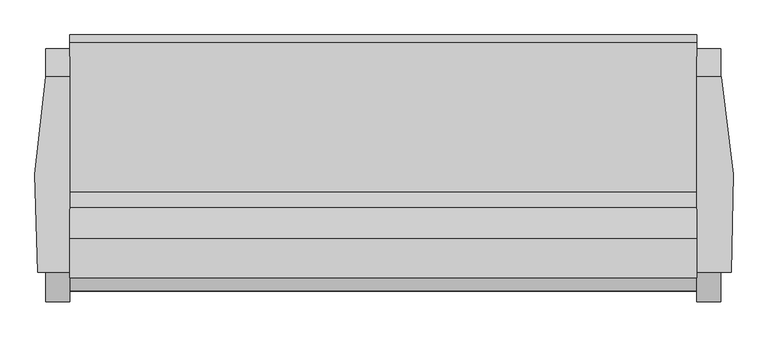
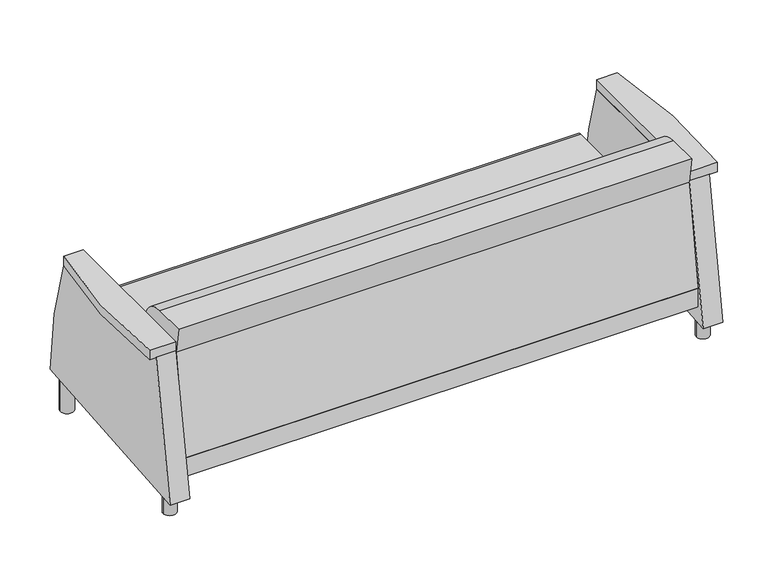
"""IFC4 building model written with IfcOpenShell, lengths in millimetres: furniture geometry."""

import ifcopenshell
import ifcopenshell.guid

model = None  # the IFC model being written
_history = None  # IfcOwnerHistory: only IFC2X3 demands one
_inside = {}  # id of a spatial element -> (the spatial element, [elements in it])
_under = {}  # id of a project, library or spatial element -> (it, [spatial elements below it])
_declared = {}  # id of a project -> (the project, [libraries it declares])
_typed = {}  # id of a type object -> (the type object, [elements of that type])
_made_of = {}  # id of a material, layer set ... -> (it, [elements and type objects made of it])


def new_model(schema):
    """Start an empty IFC model of exactly this schema.

    Asked for "IFC4X3", IfcOpenShell would pick the latest addendum, in which some entities
    have other attributes; the version numbers below select the first issue.
    IFC2X3 requires an IfcOwnerHistory on every rooted entity: one is made here for all.
    """
    global model, _history
    if schema == "IFC4X3":
        model = ifcopenshell.file(schema_version=(4, 3, 0, 0))
    else:
        model = ifcopenshell.file(schema=schema)
    _inside.clear()
    _under.clear()
    _declared.clear()
    _typed.clear()
    _made_of.clear()
    _history = None
    if model.schema == "IFC2X3":
        org = make("IfcOrganization", Name="unknown")
        user = make(
            "IfcPersonAndOrganization",
            ThePerson=make("IfcPerson", FamilyName="unknown"),
            TheOrganization=org,
        )
        app = make(
            "IfcApplication",
            ApplicationDeveloper=org,
            Version="unknown",
            ApplicationFullName="unknown",
            ApplicationIdentifier="unknown",
        )
        _history = make(
            "IfcOwnerHistory",
            OwningUser=user,
            OwningApplication=app,
            ChangeAction="ADDED",
            CreationDate=0,
        )
    return model


def make(cls, **values):
    """One entity of the class cls with the attributes given. An attribute that is None is left unset."""
    return model.create_entity(
        cls, **{name: value for name, value in values.items() if value is not None}
    )


def rooted(cls, **values):
    """An entity with a GlobalId (a new one), such as an element, a storey or a relation."""
    return make(cls, GlobalId=ifcopenshell.guid.new(), OwnerHistory=_history, **values)


def si_unit(unit_type, name, prefix=None):
    """IfcSIUnit, for example si_unit("LENGTHUNIT", "METRE", prefix="MILLI")."""
    return make("IfcSIUnit", UnitType=unit_type, Prefix=prefix, Name=name)


def assignment(units):
    """IfcUnitAssignment: the units of a project."""
    return None if units is None else make("IfcUnitAssignment", Units=units)


def point(xyz):
    """IfcCartesianPoint."""
    return None if xyz is None else make("IfcCartesianPoint", Coordinates=xyz)


def direction(xyz):
    """IfcDirection."""
    return None if xyz is None else make("IfcDirection", DirectionRatios=xyz)


def frame(location, z_axis=None, x_axis=None):
    """IfcAxis2Placement3D, a coordinate frame: its origin and axes. An axis left out is left unset."""
    return make(
        "IfcAxis2Placement3D",
        Location=point(location),
        Axis=direction(z_axis),
        RefDirection=direction(x_axis),
    )


def frame_2d(location, x_axis=None):
    """IfcAxis2Placement2D, a coordinate frame in the plane: its origin and x axis."""
    return make(
        "IfcAxis2Placement2D", Location=point(location), RefDirection=direction(x_axis)
    )


def origin():
    """The frame at (0, 0, 0) with its axes left unset."""
    return frame((0.0, 0.0, 0.0))


def origin_with_axes():
    """The frame at (0, 0, 0) with the z axis (0, 0, 1) and the x axis (1, 0, 0) written out."""
    return frame((0.0, 0.0, 0.0), z_axis=(0.0, 0.0, 1.0), x_axis=(1.0, 0.0, 0.0))


def place(relative_to, where):
    """IfcLocalPlacement: puts the frame where relative to a parent placement (None: the world)."""
    return make(
        "IfcLocalPlacement", PlacementRelTo=relative_to, RelativePlacement=where
    )


def context(
    kind, dimensions, precision=None, world=None, true_north=None, identifier=None
):
    """IfcGeometricRepresentationContext, for example the 3D "Model" context."""
    return make(
        "IfcGeometricRepresentationContext",
        ContextIdentifier=identifier,
        ContextType=kind,
        CoordinateSpaceDimension=dimensions,
        Precision=precision,
        WorldCoordinateSystem=world,
        TrueNorth=true_north,
    )


def project(units=None, contexts=None):
    """IfcProject with its units and contexts."""
    return rooted(
        "IfcProject",
        Name="project",
        RepresentationContexts=contexts,
        UnitsInContext=assignment(units),
    )


def spatial(cls, under=None, at=None, **own):
    """A site, building, storey or space (cls), placed at a placement, below another one or the project."""
    s = rooted(cls, ObjectPlacement=at, **own)
    if under is not None:
        _under.setdefault(under.id(), (under, []))[1].append(s)
    return s


def polyline(points):
    """IfcPolyline through the points."""
    return make("IfcPolyline", Points=[point(p) for p in points])


def circle_curve(where, radius):
    """IfcCircle in the frame where."""
    return make("IfcCircle", Position=where, Radius=radius)


def trimmed(basis, trim1, trim2, sense, master):
    """IfcTrimmedCurve: the piece of a basis curve between two trims."""
    return make(
        "IfcTrimmedCurve",
        BasisCurve=basis,
        Trim1=trim1,
        Trim2=trim2,
        SenseAgreement=sense,
        MasterRepresentation=master,
    )


def segment(curve, same_sense, transition):
    """IfcCompositeCurveSegment."""
    return make(
        "IfcCompositeCurveSegment",
        Transition=transition,
        SameSense=same_sense,
        ParentCurve=curve,
    )


def composite_curve(segments, self_intersect=None):
    """IfcCompositeCurve: segments joined end to end."""
    return make("IfcCompositeCurve", Segments=segments, SelfIntersect=self_intersect)


def outline(outer, holes=None, kind="AREA"):
    """IfcArbitraryClosedProfileDef: a profile drawn as a closed curve; with holes, ...WithVoids."""
    if holes is None:
        return make("IfcArbitraryClosedProfileDef", ProfileType=kind, OuterCurve=outer)
    return make(
        "IfcArbitraryProfileDefWithVoids",
        ProfileType=kind,
        OuterCurve=outer,
        InnerCurves=holes,
    )


def extrude(swept, where, along, depth):
    """IfcExtrudedAreaSolid: the profile swept, set in the frame where, extruded along a direction by depth."""
    return make(
        "IfcExtrudedAreaSolid",
        SweptArea=swept,
        Position=where,
        ExtrudedDirection=direction(along),
        Depth=depth,
    )


def shape(context_of_items, identifier, shape_type, items):
    """IfcShapeRepresentation: the items that make up one representation, for example the "Body"."""
    return make(
        "IfcShapeRepresentation",
        ContextOfItems=context_of_items,
        RepresentationIdentifier=identifier,
        RepresentationType=shape_type,
        Items=items,
    )


def source(mapping_origin, context_of_items, identifier, shape_type, items):
    """IfcRepresentationMap: a shape defined once, which mapped items show again and again."""
    return make(
        "IfcRepresentationMap",
        MappingOrigin=mapping_origin,
        MappedRepresentation=shape(context_of_items, identifier, shape_type, items),
    )


def transform(
    local_origin,
    x_axis=None,
    y_axis=None,
    z_axis=None,
    scale=None,
    scale2=None,
    scale3=None,
    uniform=True,
):
    """IfcCartesianTransformationOperator3D, or its non-uniform kind. x_axis, y_axis, z_axis: its Axis1, 2, 3."""
    if uniform:
        return make(
            "IfcCartesianTransformationOperator3D",
            Axis1=direction(x_axis),
            Axis2=direction(y_axis),
            LocalOrigin=point(local_origin),
            Scale=scale,
            Axis3=direction(z_axis),
        )
    return make(
        "IfcCartesianTransformationOperator3DnonUniform",
        Axis1=direction(x_axis),
        Axis2=direction(y_axis),
        LocalOrigin=point(local_origin),
        Scale=scale,
        Axis3=direction(z_axis),
        Scale2=scale2,
        Scale3=scale3,
    )


def mapped(mapping_source, mapping_target):
    """IfcMappedItem: shows the shape of a source again, moved by a transform."""
    return make(
        "IfcMappedItem", MappingSource=mapping_source, MappingTarget=mapping_target
    )


def made_of(thing, what):
    """Note that an element or type object is made of a material, layer set ...; save() writes the relation."""
    if what is not None:
        _made_of.setdefault(what.id(), (what, []))[1].append(thing)
    return thing


def element(
    cls,
    number,
    at=None,
    inside=None,
    cuts=None,
    type_object=None,
    material=None,
    context=None,
    identifier="Body",
    shape_type=None,
    held_by="IfcProductDefinitionShape",
    body=None,
    shapes=None,
    **own,
):
    """One element of the class cls, such as IfcWall. Its Tag is "e" and its number.

    at: its placement. inside: the storey or other place that contains it. cuts: it is an
    opening in that element (IfcRelVoidsElement). A single representation is given by context,
    identifier, shape_type and body (its items); several are given by shapes. held_by: the class
    of the entity that holds the representations. save() writes the other relations.
    """
    e = rooted(cls, Tag="e%d" % number, ObjectPlacement=at, **own)
    if body is not None:
        shapes = [shape(context, identifier, shape_type, body)]
    if shapes is not None:
        e.Representation = make(held_by, Representations=shapes)
    if inside is not None:
        _inside.setdefault(inside.id(), (inside, []))[1].append(e)
    if cuts is not None:
        rooted(
            "IfcRelVoidsElement", RelatingBuildingElement=cuts, RelatedOpeningElement=e
        )
    if type_object is not None:
        _typed.setdefault(type_object.id(), (type_object, []))[1].append(e)
    return made_of(e, material)


def aggregate(whole, parts):
    """IfcRelAggregates: a whole, such as a stair, and the parts it consists of."""
    return rooted("IfcRelAggregates", RelatingObject=whole, RelatedObjects=parts)


def save(model, path):
    """Write the relations noted so far, then the file.

    IfcRelAggregates (storeys below a building ...), IfcRelContainedInSpatialStructure (elements
    in a storey), IfcRelDefinesByType, IfcRelAssociatesMaterial and IfcRelDeclares: one each for
    every whole, place, type object, material and project.
    """
    for whole, parts in _under.values():
        aggregate(whole, parts)
    for where, things in _inside.values():
        rooted(
            "IfcRelContainedInSpatialStructure",
            RelatedElements=things,
            RelatingStructure=where,
        )
    for kind, things in _typed.values():
        rooted("IfcRelDefinesByType", RelatedObjects=things, RelatingType=kind)
    for what, things in _made_of.values():
        rooted("IfcRelAssociatesMaterial", RelatedObjects=things, RelatingMaterial=what)
    for by, libraries in _declared.values():
        rooted("IfcRelDeclares", RelatingContext=by, RelatedDefinitions=libraries)
    model.write(path)


def plane_surface(at):
    """IfcPlane: the flat surface through the origin of the frame at, square to its z axis."""
    return make("IfcPlane", Position=at)


def cylinder_surface(at, radius):
    """IfcCylindricalSurface: all points at the distance radius from the z axis of the frame at."""
    return make("IfcCylindricalSurface", Position=at, Radius=radius)


def advanced_brep(points, edges, surfaces, faces):
    """IfcAdvancedBrep: a solid bounded by faces that lie on surfaces and meet in shared edges.

    An edge is (start, end): straight between two places in points (the first is 0);
    or (start, end, curve); or (start, end, curve, False) where it runs against its curve.
    A face is (place in surfaces, loops), or (place, loops, False) where it looks against
    its surface's normal. A loop lists edges by number (the first is 1), with a minus sign
    where the edge is run from its end to its start. The first loop is the outer one.
    """
    corners = [point(p) for p in points]
    vertices = [make("IfcVertexPoint", VertexGeometry=c) for c in corners]
    made = []
    for start, end, *more in edges:
        made.append(
            make(
                "IfcEdgeCurve",
                EdgeStart=vertices[start],
                EdgeEnd=vertices[end],
                EdgeGeometry=more[0] if more else make("IfcPolyline", Points=[corners[start], corners[end]]),
                SameSense=more[1] if len(more) > 1 else True,
            )
        )
    hull = []
    for where, loops, *sense in faces:
        bounds = []
        for j, loop in enumerate(loops):
            ring = [make("IfcOrientedEdge", EdgeElement=made[abs(k) - 1], Orientation=k > 0) for k in loop]
            bounds.append(
                make(
                    "IfcFaceOuterBound" if j == 0 else "IfcFaceBound",
                    Bound=make("IfcEdgeLoop", EdgeList=ring),
                    Orientation=True,
                )
            )
        hull.append(make("IfcAdvancedFace", Bounds=bounds, FaceSurface=surfaces[where], SameSense=sense[0] if sense else True))
    return make("IfcAdvancedBrep", Outer=make("IfcClosedShell", CfsFaces=hull))


def furniture_bc69b29d(model_context):
    return source(origin(), model_context, "Body", "SolidModel", [
        advanced_brep(
        [(1345.60625, -701.7619204, 79.3588346), (1345.60625, 97.7900405, 149.3105671), (1345.60625, 9.3943348, 626.0203985), (1345.60625, -608.6917937, 626.0203985), (1269.40625, 9.3943348, 626.0203985), (1269.40625, 93.6952137, 224.2509954), (1269.40625, -668.3047863, 224.2509954), (1269.40625, -668.3047863, 148.0509954), (1269.40625, 83.3930704, 148.0509954), (1269.40625, -701.7619204, 79.3588346), (1269.40625, -608.6917937, 626.0203985), (1269.40625, 93.6952137, 148.9523161), (1269.40625, 97.7900405, 149.3105671), (1269.40625, 93.6952137, 148.0509954), (-712.19375, 83.3930704, 148.0509954), (-712.19375, 93.6952137, 148.9523161), (-712.19375, 93.6952137, 148.0509954), (-712.19375, 93.6952137, 224.2509954), (-712.19375, -668.3047863, 224.2509954), (-712.19375, -668.3047863, 148.0509954), (-712.19375, 97.7900405, 149.3105671), (-712.19375, -701.7619204, 79.3588346), (-712.19375, 9.3943348, 626.0203985), (-712.19375, -608.6917937, 626.0203985), (-788.39375, 9.3943348, 626.0203985), (-788.39375, 97.7900405, 149.3105671), (-788.39375, -701.7619204, 79.3588346), (-788.39375, -608.6917937, 626.0203985)],
        [
            (0, 1),
            (1, 2, circle_curve(frame((1345.60625, -1499.9783711, 99.5888442), z_axis=(1.0, 0.0, 0.0), x_axis=(0.0, -1.0, 0.0)), 1598.5418814)),
            (2, 3),
            (3, 0),
            (4, 5, circle_curve(frame((1269.40625, -1499.9783711, 99.5888442), z_axis=(-1.0, 0.0, 0.0), x_axis=(0.0, -1.0, 0.0)), 1598.5418814)),
            (5, 6),
            (6, 7),
            (7, 8),
            (8, 9),
            (9, 10),
            (10, 4),
            (11, 5),
            (5, 12, circle_curve(frame((1269.40625, -1499.9783711, 99.5888442), z_axis=(-1.0, 0.0, 0.0), x_axis=(0.0, -1.0, 0.0)), 1598.5418814)),
            (12, 11),
            (3, 10),
            (9, 0),
            (2, 4),
            (1, 12),
            (8, 11),
            (8, 13),
            (13, 11),
            (14, 15),
            (15, 16),
            (16, 14),
            (5, 17),
            (17, 18),
            (18, 6),
            (13, 16),
            (15, 17),
            (7, 19),
            (19, 14),
            (18, 19),
            (15, 20),
            (20, 17, circle_curve(frame((-712.19375, -1499.9783711, 99.5888442), z_axis=(1.0, 0.0, 0.0), x_axis=(0.0, -1.0, 0.0)), 1598.5418814)),
            (21, 14),
            (17, 22, circle_curve(frame((-712.19375, -1499.9783711, 99.5888442), z_axis=(1.0, 0.0, 0.0), x_axis=(0.0, -1.0, 0.0)), 1598.5418814)),
            (22, 23),
            (23, 21),
            (24, 25, circle_curve(frame((-788.39375, -1499.9783711, 99.5888442), z_axis=(-1.0, 0.0, 0.0), x_axis=(0.0, -1.0, 0.0)), 1598.5418814)),
            (25, 26),
            (26, 27),
            (27, 24),
            (24, 22),
            (20, 25),
            (21, 26),
            (23, 27),
        ],
        [
            plane_surface(frame((1345.60625, -608.6917937, 626.0203985), z_axis=(1.0000000000000002, 0.0, 0.0), x_axis=(0.0, 0.16783676484789783, 0.985814800236531))),
            plane_surface(frame((1269.40625, -608.6917937, 626.0203985), z_axis=(-1.0000000000000002, 0.0, 0.0), x_axis=(0.0, -0.16783676484789783, -0.985814800236531))),
            plane_surface(frame((1345.60625, -701.7619204, 79.3588346), z_axis=(0.0, -0.985814800236531, 0.16783676484789783), x_axis=(-1.0, 0.0, 0.0))),
            plane_surface(frame((1345.60625, -608.6917937, 626.0203985), z_axis=(0.0, 0.0, 1.0), x_axis=(-1.0, 0.0, 0.0))),
            cylinder_surface(frame((1269.40625, -1499.9783711, 99.5888442), z_axis=(1.0, 0.0, 0.0), x_axis=(0.0, -1.0, 0.0)), 1598.5418814),
            plane_surface(frame((1345.60625, 97.7900405, 149.3105671), z_axis=(0.0, 0.08715574274767213, -0.9961946980917444), x_axis=(-1.0, 0.0, 0.0))),
            plane_surface(frame((1269.40625, 93.6952137, 224.2509954), z_axis=(1.0, 0.0, 0.0), x_axis=(0.0, 1.0, 0.0))),
            plane_surface(frame((-712.19375, 93.6952137, 224.2509954), z_axis=(-1.0, 0.0, 0.0), x_axis=(0.0, -1.0, 0.0))),
            plane_surface(frame((1269.40625, -668.3047863, 224.2509954), z_axis=(0.0, 0.0, 1.0), x_axis=(-1.0, 0.0, 0.0))),
            plane_surface(frame((1269.40625, 93.6952137, 224.2509954), z_axis=(0.0, 1.0, 0.0), x_axis=(-1.0, 0.0, 0.0))),
            plane_surface(frame((1269.40625, 93.6952137, 148.0509954), z_axis=(0.0, 0.0, -1.0), x_axis=(-1.0, 0.0, 0.0))),
            plane_surface(frame((1269.40625, -668.3047863, 148.0509954), z_axis=(0.0, -1.0, 0.0), x_axis=(-1.0, 0.0, 0.0))),
            plane_surface(frame((-712.19375, -3098.5202525, 99.5888442), z_axis=(1.0, 0.0, 0.0), x_axis=(0.0, 0.0, 1.0))),
            plane_surface(frame((-788.39375, -3098.5202525, 99.5888442), z_axis=(-1.0, 0.0, 0.0), x_axis=(0.0, 0.0, -1.0))),
            cylinder_surface(frame((-788.39375, -1499.9783711, 99.5888442), z_axis=(1.0, 0.0, 0.0), x_axis=(0.0, -1.0, 0.0)), 1598.5418814),
            plane_surface(frame((-712.19375, 97.7900405, 149.3105671), z_axis=(0.0, 0.08715574274766119, -0.9961946980917453), x_axis=(-1.0, 0.0, 0.0))),
            plane_surface(frame((-712.19375, -701.7619204, 79.3588346), z_axis=(0.0, -0.9858148002365317, 0.16783676484789375), x_axis=(-1.0, 0.0, 0.0))),
            plane_surface(frame((-712.19375, -608.6917937, 626.0203985), z_axis=(0.0, 0.0, 1.0), x_axis=(-1.0, 0.0, 0.0))),
        ],
        [
            (0, [[1, 2, 3, 4]]),
            (1, [[5, 6, 7, 8, 9, 10, 11]]),
            (1, [[12, 13, 14]]),
            (2, [[15, -10, 16, -4]]),
            (3, [[17, -11, -15, -3]]),
            (4, [[18, -13, -5, -17, -2]]),
            (5, [[-16, -9, 19, -14, -18, -1]]),
            (6, [[-19, 20, 21]]),
            (7, [[22, 23, 24]]),
            (8, [[-6, 25, 26, 27]]),
            (9, [[-12, -21, 28, -23, 29, -25]]),
            (10, [[-20, -8, 30, 31, -24, -28]]),
            (11, [[32, -30, -7, -27]]),
            (12, [[-29, 33, 34]]),
            (12, [[35, -31, -32, -26, 36, 37, 38]]),
            (13, [[39, 40, 41, 42]]),
            (14, [[43, -36, -34, 44, -39]]),
            (15, [[-44, -33, -22, -35, 45, -40]]),
            (16, [[46, -41, -45, -38]]),
            (17, [[-43, -42, -46, -37]]),
        ],
    ),
        extrude(outline(composite_curve([segment(trimmed(circle_curve(frame_2d((-750.29375, 53.0901639)), 25.4), [point((-775.69375, 53.0901639))], [point((-724.89375, 53.0901639))], False, "CARTESIAN"), True, "CONTINUOUS"), segment(trimmed(circle_curve(frame_2d((-750.29375, 53.0901639)), 25.4), [point((-724.89375, 53.0901639))], [point((-775.69375, 53.0901639))], False, "CARTESIAN"), True, "CONTINUOUS")], self_intersect=False)), origin_with_axes(), (0.0, 0.0, 1.0), 148.43125),
        extrude(outline(composite_curve([segment(trimmed(circle_curve(frame_2d((-750.29375, -632.7098361)), 25.4), [point((-775.69375, -632.7098361))], [point((-724.89375, -632.7098361))], False, "CARTESIAN"), True, "CONTINUOUS"), segment(trimmed(circle_curve(frame_2d((-750.29375, -632.7098361)), 25.4), [point((-724.89375, -632.7098361))], [point((-775.69375, -632.7098361))], False, "CARTESIAN"), True, "CONTINUOUS")], self_intersect=False)), origin_with_axes(), (0.0, 0.0, 1.0), 148.43125),
        extrude(outline(composite_curve([segment(trimmed(circle_curve(frame_2d((1307.50625, -632.7098361)), 25.4), [point((1282.10625, -632.7098361))], [point((1332.90625, -632.7098361))], False, "CARTESIAN"), True, "CONTINUOUS"), segment(trimmed(circle_curve(frame_2d((1307.50625, -632.7098361)), 25.4), [point((1332.90625, -632.7098361))], [point((1282.10625, -632.7098361))], False, "CARTESIAN"), True, "CONTINUOUS")], self_intersect=False)), origin_with_axes(), (0.0, 0.0, 1.0), 148.43125),
        extrude(outline(composite_curve([segment(trimmed(circle_curve(frame_2d((1307.50625, 53.0901639)), 25.4), [point((1282.10625, 53.0901639))], [point((1332.90625, 53.0901639))], False, "CARTESIAN"), True, "CONTINUOUS"), segment(trimmed(circle_curve(frame_2d((1307.50625, 53.0901639)), 25.4), [point((1332.90625, 53.0901639))], [point((1282.10625, 53.0901639))], False, "CARTESIAN"), True, "CONTINUOUS")], self_intersect=False)), origin_with_axes(), (0.0, 0.0, 1.0), 148.43125),
        extrude(outline(composite_curve([segment(polyline([(141.9901639, 351.2509954), (141.9901639, 240.1259954)]), True, "CONTINUOUS"), segment(trimmed(circle_curve(frame_2d((126.1151639, 240.1259954)), 15.875), [point((141.9901639, 240.1259954))], [point((126.1151639, 224.2509954))], False, "CARTESIAN"), True, "CONTINUOUS"), segment(polyline([(126.1151639, 224.2509954), (-667.6541767, 224.2509954), (-609.5377828, 620.1719187), (-626.3344485, 726.0768662), (-502.2552854, 726.0768662)]), True, "CONTINUOUS"), segment(trimmed(circle_curve(frame_2d((-502.2552854, 624.4768662)), 101.6), [point((-502.2552854, 726.0768662))], [point((-402.1988177, 642.1195211))], False, "CARTESIAN"), True, "CONTINUOUS"), segment(polyline([(-402.1988177, 642.1195211), (-355.3895541, 376.6509954), (116.5901639, 376.6509954)]), True, "CONTINUOUS"), segment(trimmed(circle_curve(frame_2d((116.5901639, 351.2509954)), 25.4), [point((116.5901639, 376.6509954))], [point((141.9901639, 351.2509954))], False, "CARTESIAN"), True, "CONTINUOUS")], self_intersect=False)), frame((-712.19375, 0.0, 0.0), z_axis=(1.0, 0.0, 0.0), x_axis=(0.0, 1.0, 0.0)), (0.0, 0.0, 1.0), 1981.6),
        extrude(outline(composite_curve([segment(polyline([(-712.19375, 9.3943348), (-712.19375, -608.6917935), (-813.79375, -608.6917935)]), True, "CONTINUOUS"), segment(trimmed(circle_curve(frame_2d((1379.7527561, -389.2697363)), 2204.4936638), [point((-813.79375, -608.6917935))], [point((-788.39375, 9.3943348))], False, "CARTESIAN"), True, "CONTINUOUS"), segment(polyline([(-788.39375, 9.3943348), (-712.19375, 9.3943348)]), True, "CONTINUOUS")], self_intersect=False)), frame((0.0, 0.0, 626.0203985), z_axis=(0.0, 0.0, 1.0), x_axis=(1.0, 0.0, 0.0)), (0.0, 0.0, 1.0), 38.1),
        extrude(outline(composite_curve([segment(polyline([(1269.40625, 9.3943348), (1347.7273117, 9.3943348)]), True, "CONTINUOUS"), segment(trimmed(circle_curve(frame_2d((-821.5771494, -407.0270204)), 2208.9111775), [point((1347.7273117, 9.3943348))], [point((1378.0864453, -608.9395268))], False, "CARTESIAN"), True, "CONTINUOUS"), segment(polyline([(1378.0864453, -608.9395268), (1269.40625, -608.9395268), (1269.40625, 9.3943348)]), True, "CONTINUOUS")], self_intersect=False)), frame((0.0, 0.0, 626.0203985), z_axis=(0.0, 0.0, 1.0), x_axis=(1.0, 0.0, 0.0)), (0.0, 0.0, 1.0), 38.1),
    ])


if __name__ == "__main__":
    model = new_model("IFC4")
    model_context = context("Model", 3, world=origin())
    ifc_project = project(units=[si_unit("LENGTHUNIT", "METRE", prefix="MILLI")], contexts=[model_context])
    site = spatial("IfcSite", under=ifc_project)
    building = spatial("IfcBuilding", under=site)
    placement = place(None, origin())
    furniture_shape = furniture_bc69b29d(model_context)
    element("IfcFurniture", 1, at=placement, inside=building, context=model_context, shape_type="MappedRepresentation", body=[
        mapped(furniture_shape, transform((0.0, 0.0, 0.0), x_axis=(1.0, 0.0, 0.0), y_axis=(0.0, 1.0, 0.0), z_axis=(0.0, 0.0, 1.0))),
    ])
    save(model, "model.ifc")
